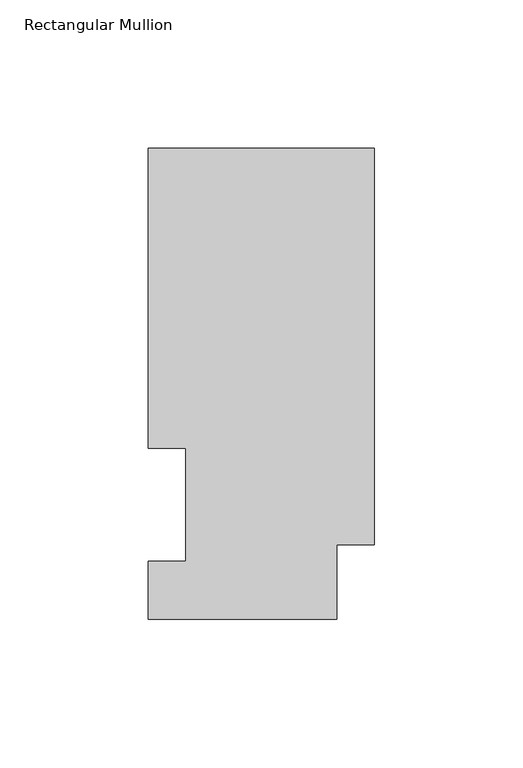
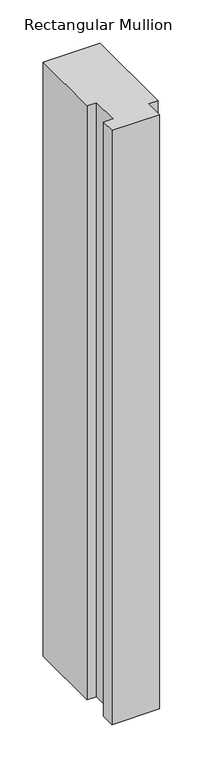
"""IFC4 building model written with IfcOpenShell, lengths in millimetres: member geometry, Rectangular Mullion."""

from ifc_helpers import new_model, si_unit, frame, origin, place, context, project, spatial, polyline, outline, extrude, source, transform, mapped, element, save


def rectangular_mullion_33074301(model_context):
    return source(origin(), model_context, "Body", "SweptSolid", [
        extrude(outline(polyline([(0.0, 158.8396938), (0.0, 25.0832937), (-12.7, 25.0832937), (-12.7, 0.0134938), (-76.2, 0.0134938), (-76.2, 19.5460938), (-63.5, 19.5460938), (-63.5, 57.6460937), (-76.2, 57.6460937), (-76.2, 158.8396938), (0.0, 158.8396938)])), frame((0.0, 0.0, -838.2), z_axis=(0.0, 0.0, 1.0), x_axis=(1.0, 0.0, 0.0)), (0.0, 0.0, 1.0), 838.2),
    ])


if __name__ == "__main__":
    model = new_model("IFC4")
    model_context = context("Model", 3, world=origin())
    ifc_project = project(units=[si_unit("LENGTHUNIT", "METRE", prefix="MILLI")], contexts=[model_context])
    site = spatial("IfcSite", under=ifc_project)
    building = spatial("IfcBuilding", under=site)
    placement = place(None, origin())
    rectangular_mullion_shape = rectangular_mullion_33074301(model_context)
    element("IfcMember", 1, ObjectType="Rectangular Mullion", at=placement, inside=building, context=model_context, shape_type="MappedRepresentation", body=[
        mapped(rectangular_mullion_shape, transform((0.0, 0.0, 0.0), x_axis=(1.0, 0.0, 0.0), y_axis=(0.0, 1.0, 0.0), z_axis=(0.0, 0.0, 1.0))),
    ])
    save(model, "model.ifc")
